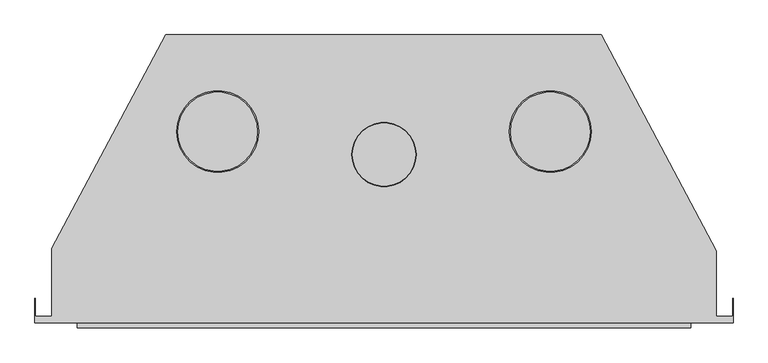
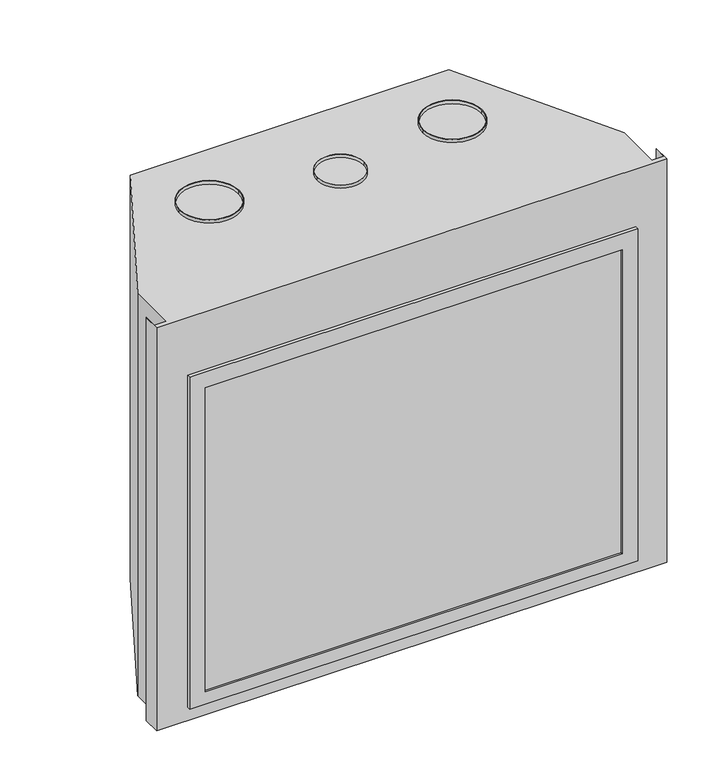
"""IFC4 building model written with IfcOpenShell, lengths in millimetres: proxy geometry."""

from ifc_helpers import new_model, si_unit, point, frame, frame_2d, origin, place, context, project, spatial, polyline, circle_curve, trimmed, segment, composite_curve, outline, extrude, faceted_brep, source, transform, mapped, element, save


def generic_models_db38a62a(model_context):
    return source(origin(), model_context, "Body", "SolidModel", [
        extrude(outline(composite_curve([segment(trimmed(circle_curve(frame_2d((350.7803021, 403.6055715)), 86.1823077), [point((436.9626098, 403.6055715))], [point((264.5979944, 403.6055715))], False, "CARTESIAN"), True, "CONTINUOUS"), segment(trimmed(circle_curve(frame_2d((350.7803021, 403.6055715)), 86.1823077), [point((264.5979944, 403.6055715))], [point((436.9626098, 403.6055715))], False, "CARTESIAN"), True, "CONTINUOUS")], self_intersect=False), holes=[composite_curve([segment(trimmed(circle_curve(frame_2d((350.7803021, 403.6055715)), 83.795113), [point((434.5754151, 403.6055715))], [point((266.9851891, 403.6055715))], True, "CARTESIAN"), True, "CONTINUOUS"), segment(trimmed(circle_curve(frame_2d((350.7803021, 403.6055715)), 83.795113), [point((266.9851891, 403.6055715))], [point((434.5754151, 403.6055715))], True, "CARTESIAN"), True, "CONTINUOUS")], self_intersect=False)]), frame((0.0, 0.0, 1230.3125), z_axis=(0.0, 0.0, 1.0), x_axis=(1.0, 0.0, 0.0)), (0.0, 0.0, 1.0), 9.525),
        extrude(outline(composite_curve([segment(trimmed(circle_curve(frame_2d((-350.7803021, 403.6055715)), 86.1823077), [point((-436.9626098, 403.6055715))], [point((-264.5979944, 403.6055715))], False, "CARTESIAN"), True, "CONTINUOUS"), segment(trimmed(circle_curve(frame_2d((-350.7803021, 403.6055715)), 86.1823077), [point((-264.5979944, 403.6055715))], [point((-436.9626098, 403.6055715))], False, "CARTESIAN"), True, "CONTINUOUS")], self_intersect=False), holes=[composite_curve([segment(trimmed(circle_curve(frame_2d((-350.7803021, 403.6055715)), 83.795113), [point((-434.5754151, 403.6055715))], [point((-266.9851891, 403.6055715))], True, "CARTESIAN"), True, "CONTINUOUS"), segment(trimmed(circle_curve(frame_2d((-350.7803021, 403.6055715)), 83.795113), [point((-266.9851891, 403.6055715))], [point((-434.5754151, 403.6055715))], True, "CARTESIAN"), True, "CONTINUOUS")], self_intersect=False)]), frame((0.0, 0.0, 1230.3125), z_axis=(0.0, 0.0, 1.0), x_axis=(1.0, 0.0, 0.0)), (0.0, 0.0, 1.0), 9.525),
        extrude(outline(composite_curve([segment(trimmed(circle_curve(frame_2d((0.0, 355.1490457)), 67.5420013), [point((-67.5420013, 355.1490457))], [point((67.5420013, 355.1490457))], False, "CARTESIAN"), True, "CONTINUOUS"), segment(trimmed(circle_curve(frame_2d((0.0, 355.1490457)), 67.5420013), [point((67.5420013, 355.1490457))], [point((-67.5420013, 355.1490457))], False, "CARTESIAN"), True, "CONTINUOUS")], self_intersect=False), holes=[composite_curve([segment(trimmed(circle_curve(frame_2d((0.0, 355.1490457)), 66.7482513), [point((-66.7482513, 355.1490457))], [point((66.7482513, 355.1490457))], True, "CARTESIAN"), True, "CONTINUOUS"), segment(trimmed(circle_curve(frame_2d((0.0, 355.1490457)), 66.7482513), [point((66.7482513, 355.1490457))], [point((-66.7482513, 355.1490457))], True, "CARTESIAN"), True, "CONTINUOUS")], self_intersect=False)]), frame((0.0, 0.0, 1230.3125), z_axis=(0.0, 0.0, 1.0), x_axis=(1.0, 0.0, 0.0)), (0.0, 0.0, 1.0), 9.525),
        extrude(outline(polyline([(1054.1, 646.4890649), (1054.1, -646.4890649), (41.275, -646.4890649), (41.275, 646.4890649), (1054.1, 646.4890649)]), holes=[polyline([(1006.475, 601.6625), (79.375, 601.6625), (79.375, -601.6625), (1006.475, -601.6625), (1006.475, 601.6625)])]), frame((0.0, -10.5847793, 0.0), z_axis=(0.0, 1.0, 0.0), x_axis=(0.0, 0.0, 1.0)), (0.0, 0.0, 1.0), 10.5847793),
        faceted_brep([(-736.2013261, 0.0, 1230.3125), (736.2013261, 0.0, 1230.3125), (736.2013261, 51.5785888, 1230.3125), (735.3890649, 51.5785888, 1230.3125), (735.3890649, 13.5038431, 1230.3125), (700.6798343, 13.5038431, 1230.3125), (700.6798343, 151.3141984, 1230.3125), (457.8691093, 607.974755, 1230.3125), (-460.6297494, 607.974755, 1230.3125), (-700.6798343, 156.5062073, 1230.3125), (-700.6798343, 13.5038431, 1230.3125), (-735.3890649, 13.5038431, 1230.3125), (-735.3890649, 51.5785888, 1230.3125), (-736.2013261, 51.5785888, 1230.3125), (-736.2013261, 0.0, 0.0), (-736.2013261, 51.5785888, 0.0), (-735.3890649, 51.5785888, 0.0), (-735.3890649, 13.5038431, 0.0), (-700.6798343, 13.5038431, 0.0), (-700.6798343, 156.5062073, 0.0), (-460.6297494, 607.974755, 0.0), (457.8691093, 607.974755, 0.0), (700.6798343, 151.3141984, 0.0), (700.6798343, 13.5038431, 0.0), (735.3890649, 13.5038431, 0.0), (735.3890649, 51.5785888, 0.0), (736.2013261, 51.5785888, 0.0), (736.2013261, 0.0, 0.0), (601.6625, 0.0, 1006.475), (601.6625, 0.0, 79.375), (-601.6625, 0.0, 79.375), (-601.6625, 0.0, 1006.475), (601.6625, 172.5015738, 1006.475), (-601.6625, 172.5015738, 1006.475), (-601.6625, 172.5015738, 79.375), (601.6625, 172.5015738, 79.375)], [[[0, 1, 2, 3, 4, 5, 6, 7, 8, 9, 10, 11, 12, 13]], [[14, 15, 16, 17, 18, 19, 20, 21, 22, 23, 24, 25, 26, 27]], [[1, 0, 14, 27], [28, 29, 30, 31]], [[2, 1, 27, 26]], [[3, 2, 26, 25]], [[4, 3, 25, 24]], [[5, 4, 24, 23]], [[6, 5, 23, 22]], [[7, 6, 22, 21]], [[8, 7, 21, 20]], [[9, 8, 20, 19]], [[10, 9, 19, 18]], [[11, 10, 18, 17]], [[12, 11, 17, 16]], [[13, 12, 16, 15]], [[0, 13, 15, 14]], [[32, 33, 34, 35]], [[32, 35, 29, 28]], [[35, 34, 30, 29]], [[34, 33, 31, 30]], [[33, 32, 28, 31]]]),
        extrude(outline(polyline([(601.6625, -6.0505537), (-601.6625, -6.0505537), (-601.6625, 47.625), (601.6625, 47.625), (601.6625, -6.0505537)])), frame((0.0, 0.0, 79.375), z_axis=(0.0, 0.0, 1.0), x_axis=(1.0, 0.0, 0.0)), (0.0, 0.0, 1.0), 927.1),
    ])


if __name__ == "__main__":
    model = new_model("IFC4")
    model_context = context("Model", 3, world=origin())
    ifc_project = project(units=[si_unit("LENGTHUNIT", "METRE", prefix="MILLI")], contexts=[model_context])
    site = spatial("IfcSite", under=ifc_project)
    building = spatial("IfcBuilding", under=site)
    placement = place(None, origin())
    generic_models_shape = generic_models_db38a62a(model_context)
    element("IfcBuildingElementProxy", 1, Name="Generic Models", at=placement, inside=building, context=model_context, shape_type="MappedRepresentation", body=[
        mapped(generic_models_shape, transform((0.0, 0.0, 0.0), x_axis=(1.0, 0.0, 0.0), y_axis=(0.0, 1.0, 0.0), z_axis=(0.0, 0.0, 1.0))),
    ])
    save(model, "model.ifc")
